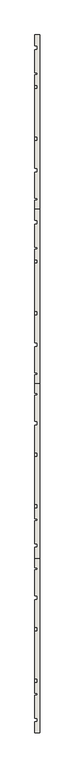
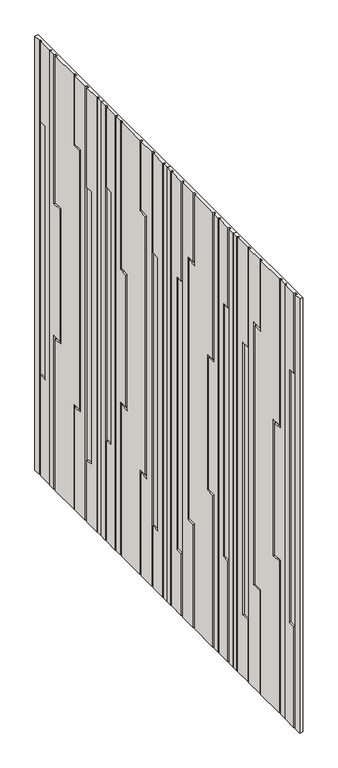
"""IFC4 building model written with IfcOpenShell, lengths in millimetres: wall geometry."""

from ifc_helpers import new_model, si_unit, origin, place, context, project, spatial, faceted_brep, source, transform, mapped, element, save


def wall_a571c0a7(model_context):
    return source(origin(), model_context, "Body", "Brep", [
        faceted_brep([(9222.7910444, 4866.619403, 6736.0), (9222.7910444, 4866.619403, 4508.0), (9222.7910444, 4860.619403, 4508.0), (9222.7910444, 4860.619403, 6736.0), (9222.7910444, 4777.619403, 6736.0), (9222.7910444, 4777.619403, 6225.0), (9222.7910444, 4817.619403, 6225.0), (9222.7910444, 4817.619403, 4825.0), (9222.7910444, 4777.619403, 4825.0), (9222.7910444, 4777.619403, 4508.0), (9222.7910444, 4765.619403, 4508.0), (9222.7910444, 4765.619403, 6736.0), (9222.7910444, 4677.0881012, 5035.0), (9222.7910444, 4677.0881012, 4508.0), (9222.7910444, 4665.0881012, 4508.0), (9222.7910444, 4665.0881012, 5047.0), (9222.7910444, 4713.0881012, 5047.0), (9222.7910444, 4713.0881012, 6373.0), (9222.7910444, 4665.0881012, 6373.0), (9222.7910444, 4665.0881012, 6736.0), (9222.7910444, 4677.0881012, 6736.0), (9222.7910444, 4677.0881012, 6385.0), (9222.7910444, 4725.0881012, 6385.0), (9222.7910444, 4725.0881012, 5035.0), (9222.7910444, 4512.619403, 6736.0), (9222.7910444, 4512.619403, 5985.0), (9222.7910444, 4560.619403, 5985.0), (9222.7910444, 4560.619403, 5285.0), (9222.7910444, 4512.619403, 5285.0), (9222.7910444, 4512.619403, 4508.0), (9222.7910444, 4500.619403, 4508.0), (9222.7910444, 4500.619403, 5297.0), (9222.7910444, 4548.619403, 5297.0), (9222.7910444, 4548.619403, 5973.0), (9222.7910444, 4500.619403, 5973.0), (9222.7910444, 4500.619403, 6736.0), (9222.7910444, 4460.619403, 4508.0), (9222.7910444, 4460.619403, 6736.0), (9222.7910444, 4466.619403, 6736.0), (9222.7910444, 4466.619403, 4508.0), (9222.7910444, 4427.619403, 5025.0), (9222.7910444, 4387.619403, 5025.0), (9222.7910444, 4387.619403, 4508.0), (9222.7910444, 4375.619403, 4508.0), (9222.7910444, 4375.619403, 6736.0), (9222.7910444, 4387.619403, 6736.0), (9222.7910444, 4387.619403, 6325.0), (9222.7910444, 4427.619403, 6325.0), (9214.7910444, 4860.619403, 4508.0), (9214.7910444, 4860.619403, 6736.0), (9214.7910444, 4866.619403, 6736.0), (9214.7910444, 4866.619403, 4508.0), (9214.7910444, 4765.619403, 4508.0), (9214.7910444, 4765.619403, 6736.0), (9214.7910444, 4777.619403, 4825.0), (9214.7910444, 4777.619403, 4508.0), (9214.7910444, 4817.619403, 4825.0), (9214.7910444, 4817.619403, 6225.0), (9214.7910444, 4777.619403, 6225.0), (9214.7910444, 4777.619403, 6736.0), (9214.7910444, 4725.0881012, 5035.0), (9214.7910444, 4677.0881012, 5035.0), (9214.7910444, 4725.0881012, 6385.0), (9214.7910444, 4677.0881012, 6385.0), (9214.7910444, 4677.0881012, 6736.0), (9214.7910444, 4665.0881012, 6373.0), (9214.7910444, 4665.0881012, 6736.0), (9214.7910444, 4713.0881012, 6373.0), (9214.7910444, 4713.0881012, 5047.0), (9214.7910444, 4665.0881012, 5047.0), (9214.7910444, 4665.0881012, 4508.0), (9214.7910444, 4677.0881012, 4508.0), (9214.7910444, 4500.619403, 5973.0), (9214.7910444, 4500.619403, 6736.0), (9214.7910444, 4548.619403, 5973.0), (9214.7910444, 4548.619403, 5297.0), (9214.7910444, 4500.619403, 5297.0), (9214.7910444, 4500.619403, 4508.0), (9214.7910444, 4512.619403, 5285.0), (9214.7910444, 4512.619403, 4508.0), (9214.7910444, 4560.619403, 5285.0), (9214.7910444, 4560.619403, 5985.0), (9214.7910444, 4512.619403, 5985.0), (9214.7910444, 4512.619403, 6736.0), (9214.7910444, 4466.619403, 6736.0), (9214.7910444, 4466.619403, 4508.0), (9214.7910444, 4460.619403, 4508.0), (9214.7910444, 4460.619403, 6736.0), (9214.7910444, 4427.619403, 6325.0), (9214.7910444, 4427.619403, 5025.0), (9214.7910444, 4387.619403, 6325.0), (9214.7910444, 4387.619403, 6736.0), (9214.7910444, 4375.619403, 4508.0), (9214.7910444, 4375.619403, 6736.0), (9214.7910444, 4387.619403, 5025.0), (9214.7910444, 4387.619403, 4508.0), (9214.7910444, 4340.369403, 4508.0), (9214.7910444, 4340.369403, 6736.0), (9214.7910444, 4896.619403, 6736.0), (9214.7910444, 4896.619403, 4508.0), (9230.7910444, 4340.369403, 4508.0), (9230.7910444, 4896.619403, 4508.0), (9230.7910444, 4896.619403, 6736.0), (9230.7910444, 4340.369403, 6736.0)], [[[0, 1, 2, 3]], [[4, 5, 6, 7, 8, 9, 10, 11]], [[12, 13, 14, 15, 16, 17, 18, 19, 20, 21, 22, 23]], [[24, 25, 26, 27, 28, 29, 30, 31, 32, 33, 34, 35]], [[36, 37, 38, 39]], [[40, 41, 42, 43, 44, 45, 46, 47]], [[3, 2, 48, 49]], [[1, 0, 50, 51]], [[11, 10, 52, 53]], [[9, 8, 54, 55]], [[8, 7, 56, 54]], [[7, 6, 57, 56]], [[6, 5, 58, 57]], [[5, 4, 59, 58]], [[12, 23, 60, 61]], [[23, 22, 62, 60]], [[22, 21, 63, 62]], [[21, 20, 64, 63]], [[19, 18, 65, 66]], [[18, 17, 67, 65]], [[17, 16, 68, 67]], [[16, 15, 69, 68]], [[15, 14, 70, 69]], [[13, 12, 61, 71]], [[35, 34, 72, 73]], [[34, 33, 74, 72]], [[33, 32, 75, 74]], [[32, 31, 76, 75]], [[31, 30, 77, 76]], [[29, 28, 78, 79]], [[28, 27, 80, 78]], [[27, 26, 81, 80]], [[26, 25, 82, 81]], [[25, 24, 83, 82]], [[39, 38, 84, 85]], [[37, 36, 86, 87]], [[40, 47, 88, 89]], [[47, 46, 90, 88]], [[46, 45, 91, 90]], [[44, 43, 92, 93]], [[42, 41, 94, 95]], [[41, 40, 89, 94]], [[96, 97, 93, 92]], [[98, 99, 51, 50]], [[64, 53, 52, 71, 61, 60, 62, 63]], [[59, 49, 48, 55, 54, 56, 57, 58]], [[83, 66, 65, 67, 68, 69, 70, 79, 78, 80, 81, 82]], [[84, 73, 72, 74, 75, 76, 77, 85]], [[91, 87, 86, 95, 94, 89, 88, 90]], [[100, 101, 102, 103]], [[97, 96, 100, 103]], [[103, 102, 98, 50, 0, 3, 49, 59, 4, 11, 53, 64, 20, 19, 66, 83, 24, 35, 73, 84, 38, 37, 87, 91, 45, 44, 93, 97]], [[99, 98, 102, 101]], [[101, 100, 96, 92, 43, 42, 95, 86, 36, 39, 85, 77, 30, 29, 79, 70, 14, 13, 71, 52, 10, 9, 55, 48, 2, 1, 51, 99]]]),
        faceted_brep([(9222.7910444, 4310.369403, 6736.0), (9222.7910444, 4310.369403, 4508.0), (9222.7910444, 4304.369403, 4508.0), (9222.7910444, 4304.369403, 6736.0), (9222.7910444, 4221.369403, 6736.0), (9222.7910444, 4221.369403, 6225.0), (9222.7910444, 4261.369403, 6225.0), (9222.7910444, 4261.369403, 4825.0), (9222.7910444, 4221.369403, 4825.0), (9222.7910444, 4221.369403, 4508.0), (9222.7910444, 4209.369403, 4508.0), (9222.7910444, 4209.369403, 6736.0), (9222.7910444, 4120.8381012, 5035.0), (9222.7910444, 4120.8381012, 4508.0), (9222.7910444, 4108.8381012, 4508.0), (9222.7910444, 4108.8381012, 5047.0), (9222.7910444, 4156.8381012, 5047.0), (9222.7910444, 4156.8381012, 6373.0), (9222.7910444, 4108.8381012, 6373.0), (9222.7910444, 4108.8381012, 6736.0), (9222.7910444, 4120.8381012, 6736.0), (9222.7910444, 4120.8381012, 6385.0), (9222.7910444, 4168.8381012, 6385.0), (9222.7910444, 4168.8381012, 5035.0), (9222.7910444, 3956.369403, 6736.0), (9222.7910444, 3956.369403, 5985.0), (9222.7910444, 4004.369403, 5985.0), (9222.7910444, 4004.369403, 5285.0), (9222.7910444, 3956.369403, 5285.0), (9222.7910444, 3956.369403, 4508.0), (9222.7910444, 3944.369403, 4508.0), (9222.7910444, 3944.369403, 5297.0), (9222.7910444, 3992.369403, 5297.0), (9222.7910444, 3992.369403, 5973.0), (9222.7910444, 3944.369403, 5973.0), (9222.7910444, 3944.369403, 6736.0), (9222.7910444, 3904.369403, 4508.0), (9222.7910444, 3904.369403, 6736.0), (9222.7910444, 3910.369403, 6736.0), (9222.7910444, 3910.369403, 4508.0), (9222.7910444, 3871.369403, 5025.0), (9222.7910444, 3831.369403, 5025.0), (9222.7910444, 3831.369403, 4508.0), (9222.7910444, 3819.369403, 4508.0), (9222.7910444, 3819.369403, 6736.0), (9222.7910444, 3831.369403, 6736.0), (9222.7910444, 3831.369403, 6325.0), (9222.7910444, 3871.369403, 6325.0), (9214.7910444, 4304.369403, 4508.0), (9214.7910444, 4304.369403, 6736.0), (9214.7910444, 4310.369403, 6736.0), (9214.7910444, 4310.369403, 4508.0), (9214.7910444, 4209.369403, 4508.0), (9214.7910444, 4209.369403, 6736.0), (9214.7910444, 4221.369403, 4825.0), (9214.7910444, 4221.369403, 4508.0), (9214.7910444, 4261.369403, 4825.0), (9214.7910444, 4261.369403, 6225.0), (9214.7910444, 4221.369403, 6225.0), (9214.7910444, 4221.369403, 6736.0), (9214.7910444, 4168.8381012, 5035.0), (9214.7910444, 4120.8381012, 5035.0), (9214.7910444, 4168.8381012, 6385.0), (9214.7910444, 4120.8381012, 6385.0), (9214.7910444, 4120.8381012, 6736.0), (9214.7910444, 4108.8381012, 6373.0), (9214.7910444, 4108.8381012, 6736.0), (9214.7910444, 4156.8381012, 6373.0), (9214.7910444, 4156.8381012, 5047.0), (9214.7910444, 4108.8381012, 5047.0), (9214.7910444, 4108.8381012, 4508.0), (9214.7910444, 4120.8381012, 4508.0), (9214.7910444, 3944.369403, 5973.0), (9214.7910444, 3944.369403, 6736.0), (9214.7910444, 3992.369403, 5973.0), (9214.7910444, 3992.369403, 5297.0), (9214.7910444, 3944.369403, 5297.0), (9214.7910444, 3944.369403, 4508.0), (9214.7910444, 3956.369403, 5285.0), (9214.7910444, 3956.369403, 4508.0), (9214.7910444, 4004.369403, 5285.0), (9214.7910444, 4004.369403, 5985.0), (9214.7910444, 3956.369403, 5985.0), (9214.7910444, 3956.369403, 6736.0), (9214.7910444, 3910.369403, 6736.0), (9214.7910444, 3910.369403, 4508.0), (9214.7910444, 3904.369403, 4508.0), (9214.7910444, 3904.369403, 6736.0), (9214.7910444, 3871.369403, 6325.0), (9214.7910444, 3871.369403, 5025.0), (9214.7910444, 3831.369403, 6325.0), (9214.7910444, 3831.369403, 6736.0), (9214.7910444, 3819.369403, 4508.0), (9214.7910444, 3819.369403, 6736.0), (9214.7910444, 3831.369403, 5025.0), (9214.7910444, 3831.369403, 4508.0), (9214.7910444, 3784.119403, 4508.0), (9214.7910444, 3784.119403, 6736.0), (9214.7910444, 4339.869403, 6736.0), (9214.7910444, 4339.869403, 4508.0), (9230.7910444, 3784.119403, 4508.0), (9230.7910444, 4339.869403, 4508.0), (9230.7910444, 4339.869403, 6736.0), (9230.7910444, 3784.119403, 6736.0)], [[[0, 1, 2, 3]], [[4, 5, 6, 7, 8, 9, 10, 11]], [[12, 13, 14, 15, 16, 17, 18, 19, 20, 21, 22, 23]], [[24, 25, 26, 27, 28, 29, 30, 31, 32, 33, 34, 35]], [[36, 37, 38, 39]], [[40, 41, 42, 43, 44, 45, 46, 47]], [[3, 2, 48, 49]], [[1, 0, 50, 51]], [[11, 10, 52, 53]], [[9, 8, 54, 55]], [[8, 7, 56, 54]], [[7, 6, 57, 56]], [[6, 5, 58, 57]], [[5, 4, 59, 58]], [[12, 23, 60, 61]], [[23, 22, 62, 60]], [[22, 21, 63, 62]], [[21, 20, 64, 63]], [[19, 18, 65, 66]], [[18, 17, 67, 65]], [[17, 16, 68, 67]], [[16, 15, 69, 68]], [[15, 14, 70, 69]], [[13, 12, 61, 71]], [[35, 34, 72, 73]], [[34, 33, 74, 72]], [[33, 32, 75, 74]], [[32, 31, 76, 75]], [[31, 30, 77, 76]], [[29, 28, 78, 79]], [[28, 27, 80, 78]], [[27, 26, 81, 80]], [[26, 25, 82, 81]], [[25, 24, 83, 82]], [[39, 38, 84, 85]], [[37, 36, 86, 87]], [[40, 47, 88, 89]], [[47, 46, 90, 88]], [[46, 45, 91, 90]], [[44, 43, 92, 93]], [[42, 41, 94, 95]], [[41, 40, 89, 94]], [[96, 97, 93, 92]], [[98, 99, 51, 50]], [[64, 53, 52, 71, 61, 60, 62, 63]], [[59, 49, 48, 55, 54, 56, 57, 58]], [[83, 66, 65, 67, 68, 69, 70, 79, 78, 80, 81, 82]], [[84, 73, 72, 74, 75, 76, 77, 85]], [[91, 87, 86, 95, 94, 89, 88, 90]], [[100, 101, 102, 103]], [[97, 96, 100, 103]], [[103, 102, 98, 50, 0, 3, 49, 59, 4, 11, 53, 64, 20, 19, 66, 83, 24, 35, 73, 84, 38, 37, 87, 91, 45, 44, 93, 97]], [[99, 98, 102, 101]], [[101, 100, 96, 92, 43, 42, 95, 86, 36, 39, 85, 77, 30, 29, 79, 70, 14, 13, 71, 52, 10, 9, 55, 48, 2, 1, 51, 99]]]),
        faceted_brep([(9222.7910444, 5488.869403, 6736.0), (9222.7910444, 5488.869403, 4508.0), (9222.7910444, 5482.869403, 4508.0), (9222.7910444, 5482.869403, 6736.0), (9222.7910444, 5583.869403, 6736.0), (9222.7910444, 5583.869403, 4508.0), (9222.7910444, 5571.869403, 4508.0), (9222.7910444, 5571.869403, 4825.0), (9222.7910444, 5531.869403, 4825.0), (9222.7910444, 5531.869403, 6225.0), (9222.7910444, 5571.869403, 6225.0), (9222.7910444, 5571.869403, 6736.0), (9222.7910444, 5672.4007048, 5035.0), (9222.7910444, 5624.4007048, 5035.0), (9222.7910444, 5624.4007048, 6385.0), (9222.7910444, 5672.4007048, 6385.0), (9222.7910444, 5672.4007048, 6736.0), (9222.7910444, 5684.4007048, 6736.0), (9222.7910444, 5684.4007048, 6373.0), (9222.7910444, 5636.4007048, 6373.0), (9222.7910444, 5636.4007048, 5047.0), (9222.7910444, 5684.4007048, 5047.0), (9222.7910444, 5684.4007048, 4508.0), (9222.7910444, 5672.4007048, 4508.0), (9222.7910444, 5848.869403, 6736.0), (9222.7910444, 5848.869403, 5973.0), (9222.7910444, 5800.869403, 5973.0), (9222.7910444, 5800.869403, 5297.0), (9222.7910444, 5848.869403, 5297.0), (9222.7910444, 5848.869403, 4508.0), (9222.7910444, 5836.869403, 4508.0), (9222.7910444, 5836.869403, 5285.0), (9222.7910444, 5788.869403, 5285.0), (9222.7910444, 5788.869403, 5985.0), (9222.7910444, 5836.869403, 5985.0), (9222.7910444, 5836.869403, 6736.0), (9222.7910444, 5882.869403, 4508.0), (9222.7910444, 5882.869403, 6736.0), (9222.7910444, 5888.869403, 6736.0), (9222.7910444, 5888.869403, 4508.0), (9222.7910444, 5921.869403, 5025.0), (9222.7910444, 5921.869403, 6325.0), (9222.7910444, 5961.869403, 6325.0), (9222.7910444, 5961.869403, 6736.0), (9222.7910444, 5973.869403, 6736.0), (9222.7910444, 5973.869403, 4508.0), (9222.7910444, 5961.869403, 4508.0), (9222.7910444, 5961.869403, 5025.0), (9214.7910444, 5453.369403, 4508.0), (9214.7910444, 5453.369403, 6736.0), (9214.7910444, 5482.869403, 6736.0), (9214.7910444, 5482.869403, 4508.0), (9214.7910444, 6009.119403, 6736.0), (9214.7910444, 6009.119403, 4508.0), (9214.7910444, 5973.869403, 4508.0), (9214.7910444, 5973.869403, 6736.0), (9214.7910444, 5488.869403, 6736.0), (9214.7910444, 5571.869403, 6736.0), (9214.7910444, 5571.869403, 6225.0), (9214.7910444, 5531.869403, 6225.0), (9214.7910444, 5531.869403, 4825.0), (9214.7910444, 5571.869403, 4825.0), (9214.7910444, 5571.869403, 4508.0), (9214.7910444, 5488.869403, 4508.0), (9214.7910444, 5583.869403, 6736.0), (9214.7910444, 5672.4007048, 6736.0), (9214.7910444, 5672.4007048, 6385.0), (9214.7910444, 5624.4007048, 6385.0), (9214.7910444, 5624.4007048, 5035.0), (9214.7910444, 5672.4007048, 5035.0), (9214.7910444, 5672.4007048, 4508.0), (9214.7910444, 5583.869403, 4508.0), (9214.7910444, 5684.4007048, 6736.0), (9214.7910444, 5836.869403, 6736.0), (9214.7910444, 5836.869403, 5985.0), (9214.7910444, 5788.869403, 5985.0), (9214.7910444, 5788.869403, 5285.0), (9214.7910444, 5836.869403, 5285.0), (9214.7910444, 5836.869403, 4508.0), (9214.7910444, 5684.4007048, 4508.0), (9214.7910444, 5684.4007048, 5047.0), (9214.7910444, 5636.4007048, 5047.0), (9214.7910444, 5636.4007048, 6373.0), (9214.7910444, 5684.4007048, 6373.0), (9214.7910444, 5848.869403, 6736.0), (9214.7910444, 5882.869403, 6736.0), (9214.7910444, 5882.869403, 4508.0), (9214.7910444, 5848.869403, 4508.0), (9214.7910444, 5848.869403, 5297.0), (9214.7910444, 5800.869403, 5297.0), (9214.7910444, 5800.869403, 5973.0), (9214.7910444, 5848.869403, 5973.0), (9214.7910444, 5888.869403, 6736.0), (9214.7910444, 5961.869403, 6736.0), (9214.7910444, 5961.869403, 6325.0), (9214.7910444, 5921.869403, 6325.0), (9214.7910444, 5921.869403, 5025.0), (9214.7910444, 5961.869403, 5025.0), (9214.7910444, 5961.869403, 4508.0), (9214.7910444, 5888.869403, 4508.0), (9230.7910444, 5453.369403, 4508.0), (9230.7910444, 6009.119403, 4508.0), (9230.7910444, 6009.119403, 6736.0), (9230.7910444, 5453.369403, 6736.0)], [[[0, 1, 2, 3]], [[4, 5, 6, 7, 8, 9, 10, 11]], [[12, 13, 14, 15, 16, 17, 18, 19, 20, 21, 22, 23]], [[24, 25, 26, 27, 28, 29, 30, 31, 32, 33, 34, 35]], [[36, 37, 38, 39]], [[40, 41, 42, 43, 44, 45, 46, 47]], [[48, 49, 50, 51]], [[52, 53, 54, 55]], [[56, 57, 58, 59, 60, 61, 62, 63]], [[64, 65, 66, 67, 68, 69, 70, 71]], [[72, 73, 74, 75, 76, 77, 78, 79, 80, 81, 82, 83]], [[84, 85, 86, 87, 88, 89, 90, 91]], [[92, 93, 94, 95, 96, 97, 98, 99]], [[100, 101, 102, 103]], [[49, 48, 100, 103]], [[103, 102, 52, 55, 44, 43, 93, 92, 38, 37, 85, 84, 24, 35, 73, 72, 17, 16, 65, 64, 4, 11, 57, 56, 0, 3, 50, 49]], [[53, 52, 102, 101]], [[101, 100, 48, 51, 2, 1, 63, 62, 6, 5, 71, 70, 23, 22, 79, 78, 30, 29, 87, 86, 36, 39, 99, 98, 46, 45, 54, 53]], [[1, 0, 56, 63]], [[3, 2, 51, 50]], [[5, 4, 64, 71]], [[7, 6, 62, 61]], [[8, 7, 61, 60]], [[9, 8, 60, 59]], [[10, 9, 59, 58]], [[11, 10, 58, 57]], [[13, 12, 69, 68]], [[14, 13, 68, 67]], [[15, 14, 67, 66]], [[16, 15, 66, 65]], [[18, 17, 72, 83]], [[19, 18, 83, 82]], [[20, 19, 82, 81]], [[21, 20, 81, 80]], [[22, 21, 80, 79]], [[12, 23, 70, 69]], [[25, 24, 84, 91]], [[26, 25, 91, 90]], [[27, 26, 90, 89]], [[28, 27, 89, 88]], [[29, 28, 88, 87]], [[31, 30, 78, 77]], [[32, 31, 77, 76]], [[33, 32, 76, 75]], [[34, 33, 75, 74]], [[35, 34, 74, 73]], [[37, 36, 86, 85]], [[39, 38, 92, 99]], [[41, 40, 96, 95]], [[42, 41, 95, 94]], [[43, 42, 94, 93]], [[45, 44, 55, 54]], [[47, 46, 98, 97]], [[40, 47, 97, 96]]]),
        faceted_brep([(9222.7910444, 4932.619403, 6736.0), (9222.7910444, 4932.619403, 4508.0), (9222.7910444, 4926.619403, 4508.0), (9222.7910444, 4926.619403, 6736.0), (9222.7910444, 5027.619403, 6736.0), (9222.7910444, 5027.619403, 4508.0), (9222.7910444, 5015.619403, 4508.0), (9222.7910444, 5015.619403, 4825.0), (9222.7910444, 4975.619403, 4825.0), (9222.7910444, 4975.619403, 6225.0), (9222.7910444, 5015.619403, 6225.0), (9222.7910444, 5015.619403, 6736.0), (9222.7910444, 5116.1507048, 5035.0), (9222.7910444, 5068.1507048, 5035.0), (9222.7910444, 5068.1507048, 6385.0), (9222.7910444, 5116.1507048, 6385.0), (9222.7910444, 5116.1507048, 6736.0), (9222.7910444, 5128.1507048, 6736.0), (9222.7910444, 5128.1507048, 6373.0), (9222.7910444, 5080.1507048, 6373.0), (9222.7910444, 5080.1507048, 5047.0), (9222.7910444, 5128.1507048, 5047.0), (9222.7910444, 5128.1507048, 4508.0), (9222.7910444, 5116.1507048, 4508.0), (9222.7910444, 5292.619403, 6736.0), (9222.7910444, 5292.619403, 5973.0), (9222.7910444, 5244.619403, 5973.0), (9222.7910444, 5244.619403, 5297.0), (9222.7910444, 5292.619403, 5297.0), (9222.7910444, 5292.619403, 4508.0), (9222.7910444, 5280.619403, 4508.0), (9222.7910444, 5280.619403, 5285.0), (9222.7910444, 5232.619403, 5285.0), (9222.7910444, 5232.619403, 5985.0), (9222.7910444, 5280.619403, 5985.0), (9222.7910444, 5280.619403, 6736.0), (9222.7910444, 5326.619403, 4508.0), (9222.7910444, 5326.619403, 6736.0), (9222.7910444, 5332.619403, 6736.0), (9222.7910444, 5332.619403, 4508.0), (9222.7910444, 5365.619403, 5025.0), (9222.7910444, 5365.619403, 6325.0), (9222.7910444, 5405.619403, 6325.0), (9222.7910444, 5405.619403, 6736.0), (9222.7910444, 5417.619403, 6736.0), (9222.7910444, 5417.619403, 4508.0), (9222.7910444, 5405.619403, 4508.0), (9222.7910444, 5405.619403, 5025.0), (9214.7910444, 4897.119403, 4508.0), (9214.7910444, 4897.119403, 6736.0), (9214.7910444, 4926.619403, 6736.0), (9214.7910444, 4926.619403, 4508.0), (9214.7910444, 5452.8578195, 6736.0), (9214.7910444, 5452.8578195, 4508.0), (9214.7910444, 5417.619403, 4508.0), (9214.7910444, 5417.619403, 6736.0), (9214.7910444, 4932.619403, 6736.0), (9214.7910444, 5015.619403, 6736.0), (9214.7910444, 5015.619403, 6225.0), (9214.7910444, 4975.619403, 6225.0), (9214.7910444, 4975.619403, 4825.0), (9214.7910444, 5015.619403, 4825.0), (9214.7910444, 5015.619403, 4508.0), (9214.7910444, 4932.619403, 4508.0), (9214.7910444, 5027.619403, 6736.0), (9214.7910444, 5116.1507048, 6736.0), (9214.7910444, 5116.1507048, 6385.0), (9214.7910444, 5068.1507048, 6385.0), (9214.7910444, 5068.1507048, 5035.0), (9214.7910444, 5116.1507048, 5035.0), (9214.7910444, 5116.1507048, 4508.0), (9214.7910444, 5027.619403, 4508.0), (9214.7910444, 5128.1507048, 6736.0), (9214.7910444, 5280.619403, 6736.0), (9214.7910444, 5280.619403, 5985.0), (9214.7910444, 5232.619403, 5985.0), (9214.7910444, 5232.619403, 5285.0), (9214.7910444, 5280.619403, 5285.0), (9214.7910444, 5280.619403, 4508.0), (9214.7910444, 5128.1507048, 4508.0), (9214.7910444, 5128.1507048, 5047.0), (9214.7910444, 5080.1507048, 5047.0), (9214.7910444, 5080.1507048, 6373.0), (9214.7910444, 5128.1507048, 6373.0), (9214.7910444, 5292.619403, 6736.0), (9214.7910444, 5326.619403, 6736.0), (9214.7910444, 5326.619403, 4508.0), (9214.7910444, 5292.619403, 4508.0), (9214.7910444, 5292.619403, 5297.0), (9214.7910444, 5244.619403, 5297.0), (9214.7910444, 5244.619403, 5973.0), (9214.7910444, 5292.619403, 5973.0), (9214.7910444, 5332.619403, 6736.0), (9214.7910444, 5405.619403, 6736.0), (9214.7910444, 5405.619403, 6325.0), (9214.7910444, 5365.619403, 6325.0), (9214.7910444, 5365.619403, 5025.0), (9214.7910444, 5405.619403, 5025.0), (9214.7910444, 5405.619403, 4508.0), (9214.7910444, 5332.619403, 4508.0), (9230.7910444, 4897.119403, 4508.0), (9230.7910444, 5452.8578195, 4508.0), (9230.7910444, 5452.8578195, 6736.0), (9230.7910444, 4897.119403, 6736.0)], [[[0, 1, 2, 3]], [[4, 5, 6, 7, 8, 9, 10, 11]], [[12, 13, 14, 15, 16, 17, 18, 19, 20, 21, 22, 23]], [[24, 25, 26, 27, 28, 29, 30, 31, 32, 33, 34, 35]], [[36, 37, 38, 39]], [[40, 41, 42, 43, 44, 45, 46, 47]], [[48, 49, 50, 51]], [[52, 53, 54, 55]], [[56, 57, 58, 59, 60, 61, 62, 63]], [[64, 65, 66, 67, 68, 69, 70, 71]], [[72, 73, 74, 75, 76, 77, 78, 79, 80, 81, 82, 83]], [[84, 85, 86, 87, 88, 89, 90, 91]], [[92, 93, 94, 95, 96, 97, 98, 99]], [[100, 101, 102, 103]], [[49, 48, 100, 103]], [[103, 102, 52, 55, 44, 43, 93, 92, 38, 37, 85, 84, 24, 35, 73, 72, 17, 16, 65, 64, 4, 11, 57, 56, 0, 3, 50, 49]], [[53, 52, 102, 101]], [[101, 100, 48, 51, 2, 1, 63, 62, 6, 5, 71, 70, 23, 22, 79, 78, 30, 29, 87, 86, 36, 39, 99, 98, 46, 45, 54, 53]], [[1, 0, 56, 63]], [[3, 2, 51, 50]], [[5, 4, 64, 71]], [[7, 6, 62, 61]], [[8, 7, 61, 60]], [[9, 8, 60, 59]], [[10, 9, 59, 58]], [[11, 10, 58, 57]], [[13, 12, 69, 68]], [[14, 13, 68, 67]], [[15, 14, 67, 66]], [[16, 15, 66, 65]], [[18, 17, 72, 83]], [[19, 18, 83, 82]], [[20, 19, 82, 81]], [[21, 20, 81, 80]], [[22, 21, 80, 79]], [[12, 23, 70, 69]], [[25, 24, 84, 91]], [[26, 25, 91, 90]], [[27, 26, 90, 89]], [[28, 27, 89, 88]], [[29, 28, 88, 87]], [[31, 30, 78, 77]], [[32, 31, 77, 76]], [[33, 32, 76, 75]], [[34, 33, 75, 74]], [[35, 34, 74, 73]], [[37, 36, 86, 85]], [[39, 38, 92, 99]], [[41, 40, 96, 95]], [[42, 41, 95, 94]], [[43, 42, 94, 93]], [[45, 44, 55, 54]], [[47, 46, 98, 97]], [[40, 47, 97, 96]]]),
    ])


if __name__ == "__main__":
    model = new_model("IFC4")
    model_context = context("Model", 3, world=origin())
    ifc_project = project(units=[si_unit("LENGTHUNIT", "METRE", prefix="MILLI")], contexts=[model_context])
    site = spatial("IfcSite", under=ifc_project)
    building = spatial("IfcBuilding", under=site)
    placement = place(None, origin())
    wall_shape = wall_a571c0a7(model_context)
    element("IfcWall", 1, at=placement, inside=building, context=model_context, shape_type="MappedRepresentation", body=[
        mapped(wall_shape, transform((0.0, 0.0, 0.0), x_axis=(1.0, 0.0, 0.0), y_axis=(0.0, 1.0, 0.0), z_axis=(0.0, 0.0, 1.0))),
    ])
    save(model, "model.ifc")
